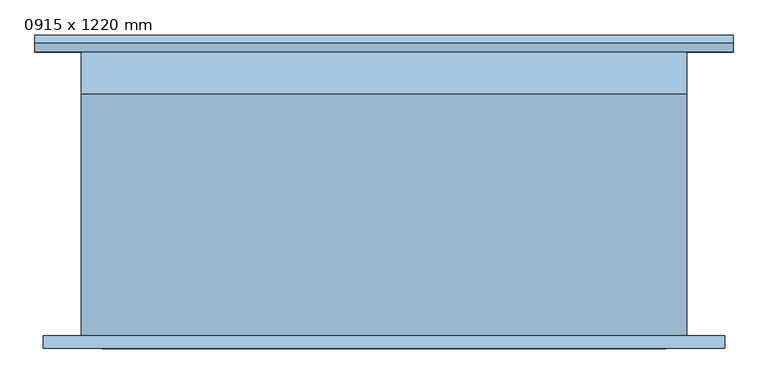
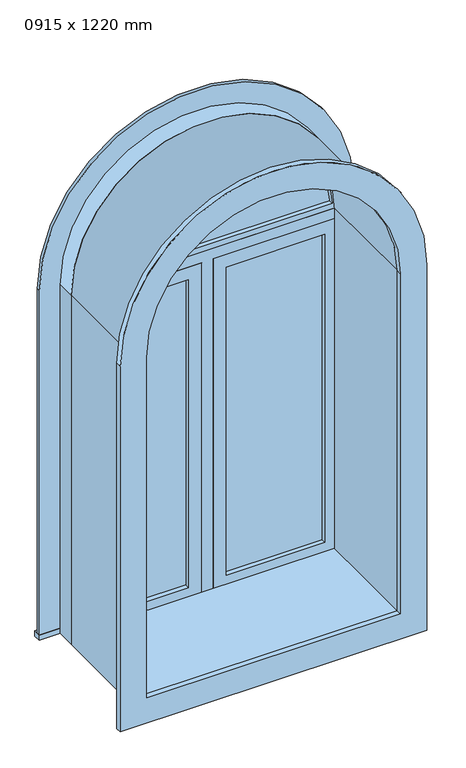
"""IFC4 building model written with IfcOpenShell, lengths in millimetres: window geometry, 0915 x 1220 mm."""

from ifc_helpers import new_model, si_unit, point, frame, frame_2d, origin, place, context, project, spatial, polyline, circle_curve, trimmed, segment, composite_curve, outline, extrude, source, transform, mapped, element, save


def window_0915_x_1220_mm_9546bdf5(model_context):
    return source(origin(), model_context, "Body", "SweptSolid", [
        extrude(outline(composite_curve([segment(polyline([(2154.05, -506.7478419), (857.75, -506.7478419), (857.75, 522.7521581), (2154.05, 522.7521581)]), True, "CONTINUOUS"), segment(trimmed(circle_curve(frame_2d((2154.05, 8.0021581)), 514.75), [point((2154.05, 522.7521581))], [point((2154.05, -506.7478419))], False, "CARTESIAN"), True, "CONTINUOUS")], self_intersect=False), holes=[composite_curve([segment(trimmed(circle_curve(frame_2d((2154.05, 8.0021581)), 425.75), [point((2154.05, -417.7478419))], [point((2154.05, 433.7521581))], True, "CARTESIAN"), True, "CONTINUOUS"), segment(polyline([(2154.05, 433.7521581), (946.75, 433.7521581), (946.75, -417.7478419), (2154.05, -417.7478419)]), True, "CONTINUOUS")], self_intersect=False)]), frame((0.0, -233.5, 0.0), z_axis=(0.0, 1.0, 0.0), x_axis=(0.0, 0.0, 1.0)), (0.0, 0.0, 1.0), 19.0),
        extrude(outline(composite_curve([segment(trimmed(circle_curve(frame_2d((2154.05, 8.0021581)), 419.515161), [point((2173.0999995, 427.0845699))], [point((2173.0999995, -411.0802537))], False, "CARTESIAN"), True, "CONTINUOUS"), segment(polyline([(2173.0999995, -411.0802537), (2173.0999995, 427.0845699)]), True, "CONTINUOUS")], self_intersect=False)), frame((0.0, 166.925, 0.0), z_axis=(0.0, 1.0, 0.0), x_axis=(0.0, 0.0, 1.0)), (0.0, 0.0, 1.0), 12.7),
        extrude(outline(composite_curve([segment(trimmed(circle_curve(frame_2d((2154.05, 8.0021581)), 438.45), [point((2154.05, 446.4521581))], [point((2154.05, -430.4478419))], False, "CARTESIAN"), True, "CONTINUOUS"), segment(polyline([(2154.05, -430.4478419), (2154.05, 446.4521581)]), True, "CONTINUOUS")], self_intersect=False), holes=[composite_curve([segment(polyline([(2173.0999995, 427.0845698), (2173.0999995, -411.0802537)]), True, "CONTINUOUS"), segment(trimmed(circle_curve(frame_2d((2154.05, 8.0021581)), 419.515161), [point((2173.0999995, -411.0802537))], [point((2173.0999995, 427.0845698))], True, "CARTESIAN"), True, "CONTINUOUS")], self_intersect=False)]), frame((0.0, 151.05, 0.0), z_axis=(0.0, 1.0, 0.0), x_axis=(0.0, 0.0, 1.0)), (0.0, 0.0, 1.0), 44.45),
        extrude(outline(composite_curve([segment(polyline([(915.0, -449.4978419), (915.0, 465.5021581), (2154.05, 465.5021581)]), True, "CONTINUOUS"), segment(trimmed(circle_curve(frame_2d((2154.05, 8.0021581)), 457.5), [point((2154.05, 465.5021581))], [point((2154.05, -449.4978419))], False, "CARTESIAN"), True, "CONTINUOUS"), segment(polyline([(2154.05, -449.4978419), (915.0, -449.4978419)]), True, "CONTINUOUS")], self_intersect=False), holes=[composite_curve([segment(polyline([(934.05, -430.4478419), (2154.05, -430.4478419)]), True, "CONTINUOUS"), segment(trimmed(circle_curve(frame_2d((2154.05, 8.0021581)), 438.45), [point((2154.05, -430.4478419))], [point((2154.05, 446.4521581))], True, "CARTESIAN"), True, "CONTINUOUS"), segment(polyline([(2154.05, 446.4521581), (934.05, 446.4521581), (934.05, -430.4478419)]), True, "CONTINUOUS")], self_intersect=False)]), frame((0.0, 151.05, 0.0), z_axis=(0.0, 1.0, 0.0), x_axis=(0.0, 0.0, 1.0)), (0.0, 0.0, 1.0), 63.45),
        extrude(outline(polyline([(71.5021581, 179.625), (402.0021581, 179.625), (402.0021581, 166.925), (71.5021581, 166.925), (71.5021581, 179.625)])), frame((0.0, 0.0, 978.5), z_axis=(0.0, 0.0, 1.0), x_axis=(1.0, 0.0, 0.0)), (0.0, 0.0, 1.0), 1093.0),
        extrude(outline(polyline([(2115.95, 27.0521581), (934.05, 27.0521581), (934.05, 446.4521581), (2115.95, 446.4521581), (2115.95, 27.0521581)]), holes=[polyline([(2071.5, 71.5021581), (2071.5, 402.0021581), (978.5, 402.0021581), (978.5, 71.5021581), (2071.5, 71.5021581)])]), frame((0.0, 151.05, 0.0), z_axis=(0.0, 1.0, 0.0), x_axis=(0.0, 0.0, 1.0)), (0.0, 0.0, 1.0), 44.45),
        extrude(outline(polyline([(934.05, -11.0478419), (934.05, 27.0521581), (2115.95, 27.0521581), (2115.95, 446.4521581), (2154.05, 446.4521581), (2154.05, -430.4478419), (2115.95, -430.4478419), (2115.95, -11.0478419), (934.05, -11.0478419)])), frame((0.0, 151.05, 0.0), z_axis=(0.0, 1.0, 0.0), x_axis=(0.0, 0.0, 1.0)), (0.0, 0.0, 1.0), 63.5),
        extrude(outline(polyline([(-519.4478419, 240.2), (535.4521581, 240.2), (535.4521581, 214.5), (-519.4478419, 214.5), (-519.4478419, 240.2)])), frame((0.0, 0.0, 915.0), z_axis=(0.0, 0.0, 1.0), x_axis=(1.0, 0.0, 0.0)), (0.0, 0.0, 1.0), 19.05),
        extrude(outline(composite_curve([segment(polyline([(934.05, 446.4521581), (934.05, 535.4521581), (2154.05, 535.4521581)]), True, "CONTINUOUS"), segment(trimmed(circle_curve(frame_2d((2154.05, 8.0021581)), 527.45), [point((2154.05, 535.4521581))], [point((2154.05, -519.4478419))], False, "CARTESIAN"), True, "CONTINUOUS"), segment(polyline([(2154.05, -519.4478419), (934.05, -519.4478419), (934.05, -430.4478419), (2154.05, -430.4478419)]), True, "CONTINUOUS"), segment(trimmed(circle_curve(frame_2d((2154.05, 8.0021581)), 438.45), [point((2154.05, -430.4478419))], [point((2154.05, 446.4521581))], True, "CARTESIAN"), True, "CONTINUOUS"), segment(polyline([(2154.05, 446.4521581), (934.05, 446.4521581)]), True, "CONTINUOUS")], self_intersect=False)), frame((0.0, 214.5, 0.0), z_axis=(0.0, 1.0, 0.0), x_axis=(0.0, 0.0, 1.0)), (0.0, 0.0, 1.0), 13.0),
        extrude(outline(polyline([(-55.4978419, 166.925), (-385.9978419, 166.925), (-385.9978419, 179.625), (-55.4978419, 179.625), (-55.4978419, 166.925)])), frame((0.0, 0.0, 978.5), z_axis=(0.0, 0.0, 1.0), x_axis=(1.0, 0.0, 0.0)), (0.0, 0.0, 1.0), 1093.0),
        extrude(outline(polyline([(2115.95, -430.4478419), (934.05, -430.4478419), (934.05, -11.0478419), (2115.95, -11.0478419), (2115.95, -430.4478419)]), holes=[polyline([(2071.5, -385.9978419), (2071.5, -55.4978419), (978.5, -55.4978419), (978.5, -385.9978419), (2071.5, -385.9978419)])]), frame((0.0, 151.05, 0.0), z_axis=(0.0, 1.0, 0.0), x_axis=(0.0, 0.0, 1.0)), (0.0, 0.0, 1.0), 44.45),
        extrude(outline(composite_curve([segment(polyline([(915.0, 465.5021581), (2154.05, 465.5021581)]), True, "CONTINUOUS"), segment(trimmed(circle_curve(frame_2d((2154.05, 8.0021581)), 457.5), [point((2154.05, 465.5021581))], [point((2154.05, -449.4978419))], False, "CARTESIAN"), True, "CONTINUOUS"), segment(polyline([(2154.05, -449.4978419), (915.0, -449.4978419), (915.0, 465.5021581)]), True, "CONTINUOUS")], self_intersect=False), holes=[composite_curve([segment(polyline([(946.75, 433.7521581), (946.75, -417.7478419), (2154.05, -417.7478419)]), True, "CONTINUOUS"), segment(trimmed(circle_curve(frame_2d((2154.05, 8.0021581)), 425.75), [point((2154.05, -417.7478419))], [point((2154.05, 433.7521581))], True, "CARTESIAN"), True, "CONTINUOUS"), segment(polyline([(2154.05, 433.7521581), (946.75, 433.7521581)]), True, "CONTINUOUS")], self_intersect=False)]), frame((0.0, -214.5, 0.0), z_axis=(0.0, 1.0, 0.0), x_axis=(0.0, 0.0, 1.0)), (0.0, 0.0, 1.0), 365.55),
    ])


if __name__ == "__main__":
    model = new_model("IFC4")
    model_context = context("Model", 3, world=origin())
    ifc_project = project(units=[si_unit("LENGTHUNIT", "METRE", prefix="MILLI")], contexts=[model_context])
    site = spatial("IfcSite", under=ifc_project)
    building = spatial("IfcBuilding", under=site)
    placement = place(None, origin())
    window_0915_x_1220_mm_shape = window_0915_x_1220_mm_9546bdf5(model_context)
    element("IfcWindow", 1, ObjectType="0915 x 1220 mm", at=placement, inside=building, context=model_context, shape_type="MappedRepresentation", body=[
        mapped(window_0915_x_1220_mm_shape, transform((0.0, 0.0, 0.0), x_axis=(1.0, 0.0, 0.0), y_axis=(0.0, 1.0, 0.0), z_axis=(0.0, 0.0, 1.0))),
    ])
    save(model, "model.ifc")
